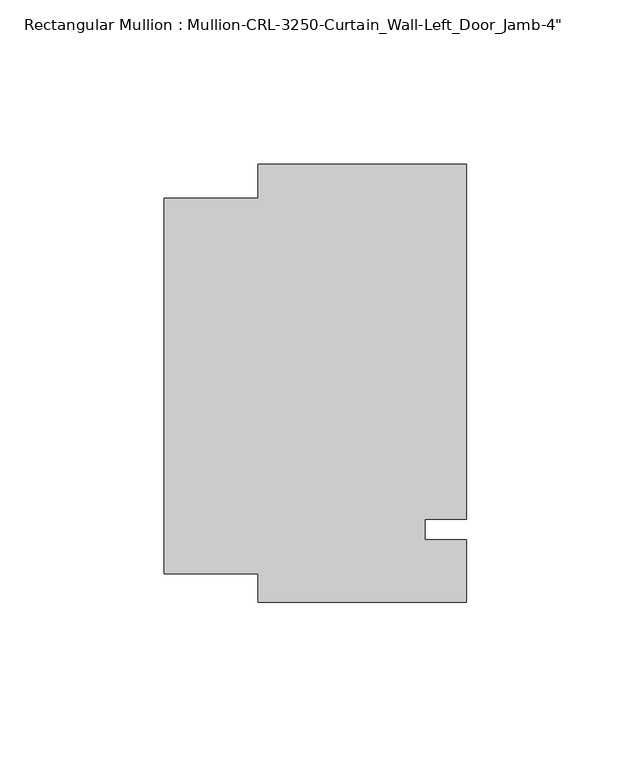
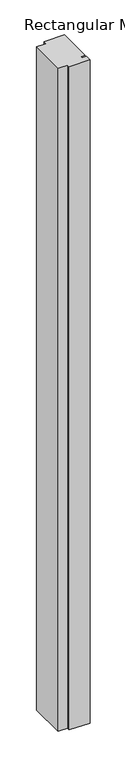
"""IFC4 building model written with IfcOpenShell, lengths in millimetres: member geometry."""

from ifc_helpers import new_model, si_unit, frame, origin, place, context, project, spatial, polyline, outline, extrude, source, transform, mapped, element, save


def member_5836ebc4(model_context):
    return source(origin(), model_context, "Body", "SweptSolid", [
        extrude(outline(polyline([(31.7499985, -3.175), (31.7499985, -22.2254168), (-31.7499985, -22.2254168), (-31.7499985, -13.4880538), (-60.326855, -13.4880538), (-60.326855, 100.8118372), (-31.7499985, 100.8118372), (-31.7499985, 111.1245832), (31.7499985, 111.1245832), (31.7499985, 3.175), (19.0499985, 3.175), (19.0499985, -3.175), (31.7499985, -3.175)])), frame((0.0, 0.0, -2146.3000015), z_axis=(0.0, 0.0, 1.0), x_axis=(1.0, 0.0, 0.0)), (0.0, 0.0, 1.0), 2146.3000015),
    ])


if __name__ == "__main__":
    model = new_model("IFC4")
    model_context = context("Model", 3, world=origin())
    ifc_project = project(units=[si_unit("LENGTHUNIT", "METRE", prefix="MILLI")], contexts=[model_context])
    site = spatial("IfcSite", under=ifc_project)
    building = spatial("IfcBuilding", under=site)
    placement = place(None, origin())
    member_shape = member_5836ebc4(model_context)
    element("IfcMember", 1, ObjectType="Rectangular Mullion : Mullion-CRL-3250-Curtain_Wall-Left_Door_Jamb-4\"", at=placement, inside=building, context=model_context, shape_type="MappedRepresentation", body=[
        mapped(member_shape, transform((0.0, 0.0, 0.0), x_axis=(1.0, 0.0, 0.0), y_axis=(0.0, 1.0, 0.0), z_axis=(0.0, 0.0, 1.0))),
    ])
    save(model, "model.ifc")
